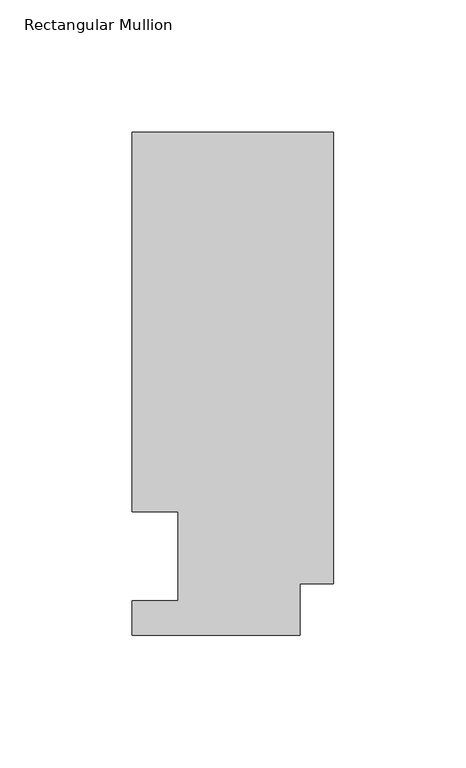
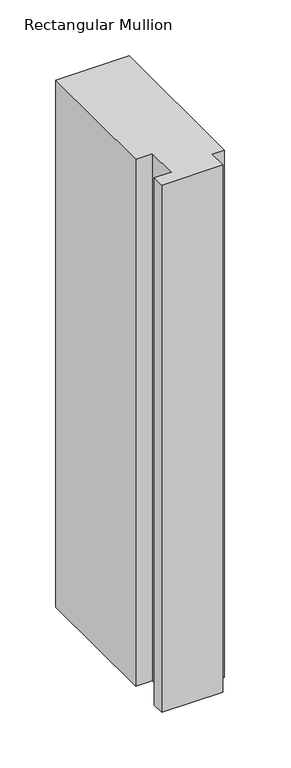
"""IFC4 building model written with IfcOpenShell, lengths in millimetres: member geometry, Rectangular Mullion."""

from ifc_helpers import new_model, si_unit, frame, origin, place, context, project, spatial, polyline, outline, extrude, source, transform, mapped, element, save


def rectangular_mullion_1937639a(model_context):
    return source(origin(), model_context, "Body", "SweptSolid", [
        extrude(outline(polyline([(0.0, 190.3784538), (0.0, 19.6726806), (-12.7, 19.6726806), (-12.7, 0.1400806), (-76.2, 0.1400806), (-76.2, 13.3226806), (-58.7676635, 13.3226806), (-58.7676635, 46.8430527), (-76.2000001, 46.8430527), (-76.2000001, 190.3784538), (0.0, 190.3784538)])), frame((0.0, 0.0, -577.8499997), z_axis=(0.0, 0.0, 1.0), x_axis=(1.0, 0.0, 0.0)), (0.0, 0.0, 1.0), 577.8499997),
    ])


if __name__ == "__main__":
    model = new_model("IFC4")
    model_context = context("Model", 3, world=origin())
    ifc_project = project(units=[si_unit("LENGTHUNIT", "METRE", prefix="MILLI")], contexts=[model_context])
    site = spatial("IfcSite", under=ifc_project)
    building = spatial("IfcBuilding", under=site)
    placement = place(None, origin())
    rectangular_mullion_shape = rectangular_mullion_1937639a(model_context)
    element("IfcMember", 1, ObjectType="Rectangular Mullion", at=placement, inside=building, context=model_context, shape_type="MappedRepresentation", body=[
        mapped(rectangular_mullion_shape, transform((0.0, 0.0, 0.0), x_axis=(1.0, 0.0, 0.0), y_axis=(0.0, 1.0, 0.0), z_axis=(0.0, 0.0, 1.0))),
    ])
    save(model, "model.ifc")
